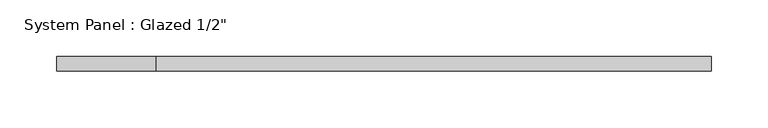
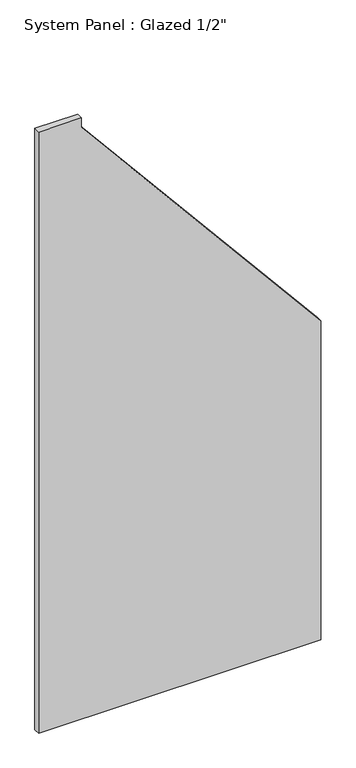
"""IFC4 building model written with IfcOpenShell, lengths in millimetres: plate geometry."""

import ifcopenshell
import ifcopenshell.guid

model = None  # the IFC model being written
_history = None  # IfcOwnerHistory: only IFC2X3 demands one
_inside = {}  # id of a spatial element -> (the spatial element, [elements in it])
_under = {}  # id of a project, library or spatial element -> (it, [spatial elements below it])
_declared = {}  # id of a project -> (the project, [libraries it declares])
_typed = {}  # id of a type object -> (the type object, [elements of that type])
_made_of = {}  # id of a material, layer set ... -> (it, [elements and type objects made of it])


def new_model(schema):
    """Start an empty IFC model of exactly this schema.

    Asked for "IFC4X3", IfcOpenShell would pick the latest addendum, in which some entities
    have other attributes; the version numbers below select the first issue.
    IFC2X3 requires an IfcOwnerHistory on every rooted entity: one is made here for all.
    """
    global model, _history
    if schema == "IFC4X3":
        model = ifcopenshell.file(schema_version=(4, 3, 0, 0))
    else:
        model = ifcopenshell.file(schema=schema)
    _inside.clear()
    _under.clear()
    _declared.clear()
    _typed.clear()
    _made_of.clear()
    _history = None
    if model.schema == "IFC2X3":
        org = make("IfcOrganization", Name="unknown")
        user = make(
            "IfcPersonAndOrganization",
            ThePerson=make("IfcPerson", FamilyName="unknown"),
            TheOrganization=org,
        )
        app = make(
            "IfcApplication",
            ApplicationDeveloper=org,
            Version="unknown",
            ApplicationFullName="unknown",
            ApplicationIdentifier="unknown",
        )
        _history = make(
            "IfcOwnerHistory",
            OwningUser=user,
            OwningApplication=app,
            ChangeAction="ADDED",
            CreationDate=0,
        )
    return model


def make(cls, **values):
    """One entity of the class cls with the attributes given. An attribute that is None is left unset."""
    return model.create_entity(
        cls, **{name: value for name, value in values.items() if value is not None}
    )


def rooted(cls, **values):
    """An entity with a GlobalId (a new one), such as an element, a storey or a relation."""
    return make(cls, GlobalId=ifcopenshell.guid.new(), OwnerHistory=_history, **values)


def si_unit(unit_type, name, prefix=None):
    """IfcSIUnit, for example si_unit("LENGTHUNIT", "METRE", prefix="MILLI")."""
    return make("IfcSIUnit", UnitType=unit_type, Prefix=prefix, Name=name)


def assignment(units):
    """IfcUnitAssignment: the units of a project."""
    return None if units is None else make("IfcUnitAssignment", Units=units)


def point(xyz):
    """IfcCartesianPoint."""
    return None if xyz is None else make("IfcCartesianPoint", Coordinates=xyz)


def direction(xyz):
    """IfcDirection."""
    return None if xyz is None else make("IfcDirection", DirectionRatios=xyz)


def frame(location, z_axis=None, x_axis=None):
    """IfcAxis2Placement3D, a coordinate frame: its origin and axes. An axis left out is left unset."""
    return make(
        "IfcAxis2Placement3D",
        Location=point(location),
        Axis=direction(z_axis),
        RefDirection=direction(x_axis),
    )


def origin():
    """The frame at (0, 0, 0) with its axes left unset."""
    return frame((0.0, 0.0, 0.0))


def place(relative_to, where):
    """IfcLocalPlacement: puts the frame where relative to a parent placement (None: the world)."""
    return make(
        "IfcLocalPlacement", PlacementRelTo=relative_to, RelativePlacement=where
    )


def context(
    kind, dimensions, precision=None, world=None, true_north=None, identifier=None
):
    """IfcGeometricRepresentationContext, for example the 3D "Model" context."""
    return make(
        "IfcGeometricRepresentationContext",
        ContextIdentifier=identifier,
        ContextType=kind,
        CoordinateSpaceDimension=dimensions,
        Precision=precision,
        WorldCoordinateSystem=world,
        TrueNorth=true_north,
    )


def project(units=None, contexts=None):
    """IfcProject with its units and contexts."""
    return rooted(
        "IfcProject",
        Name="project",
        RepresentationContexts=contexts,
        UnitsInContext=assignment(units),
    )


def spatial(cls, under=None, at=None, **own):
    """A site, building, storey or space (cls), placed at a placement, below another one or the project."""
    s = rooted(cls, ObjectPlacement=at, **own)
    if under is not None:
        _under.setdefault(under.id(), (under, []))[1].append(s)
    return s


def polyline(points):
    """IfcPolyline through the points."""
    return make("IfcPolyline", Points=[point(p) for p in points])


def outline(outer, holes=None, kind="AREA"):
    """IfcArbitraryClosedProfileDef: a profile drawn as a closed curve; with holes, ...WithVoids."""
    if holes is None:
        return make("IfcArbitraryClosedProfileDef", ProfileType=kind, OuterCurve=outer)
    return make(
        "IfcArbitraryProfileDefWithVoids",
        ProfileType=kind,
        OuterCurve=outer,
        InnerCurves=holes,
    )


def extrude(swept, where, along, depth):
    """IfcExtrudedAreaSolid: the profile swept, set in the frame where, extruded along a direction by depth."""
    return make(
        "IfcExtrudedAreaSolid",
        SweptArea=swept,
        Position=where,
        ExtrudedDirection=direction(along),
        Depth=depth,
    )


def shape(context_of_items, identifier, shape_type, items):
    """IfcShapeRepresentation: the items that make up one representation, for example the "Body"."""
    return make(
        "IfcShapeRepresentation",
        ContextOfItems=context_of_items,
        RepresentationIdentifier=identifier,
        RepresentationType=shape_type,
        Items=items,
    )


def source(mapping_origin, context_of_items, identifier, shape_type, items):
    """IfcRepresentationMap: a shape defined once, which mapped items show again and again."""
    return make(
        "IfcRepresentationMap",
        MappingOrigin=mapping_origin,
        MappedRepresentation=shape(context_of_items, identifier, shape_type, items),
    )


def transform(
    local_origin,
    x_axis=None,
    y_axis=None,
    z_axis=None,
    scale=None,
    scale2=None,
    scale3=None,
    uniform=True,
):
    """IfcCartesianTransformationOperator3D, or its non-uniform kind. x_axis, y_axis, z_axis: its Axis1, 2, 3."""
    if uniform:
        return make(
            "IfcCartesianTransformationOperator3D",
            Axis1=direction(x_axis),
            Axis2=direction(y_axis),
            LocalOrigin=point(local_origin),
            Scale=scale,
            Axis3=direction(z_axis),
        )
    return make(
        "IfcCartesianTransformationOperator3DnonUniform",
        Axis1=direction(x_axis),
        Axis2=direction(y_axis),
        LocalOrigin=point(local_origin),
        Scale=scale,
        Axis3=direction(z_axis),
        Scale2=scale2,
        Scale3=scale3,
    )


def mapped(mapping_source, mapping_target):
    """IfcMappedItem: shows the shape of a source again, moved by a transform."""
    return make(
        "IfcMappedItem", MappingSource=mapping_source, MappingTarget=mapping_target
    )


def made_of(thing, what):
    """Note that an element or type object is made of a material, layer set ...; save() writes the relation."""
    if what is not None:
        _made_of.setdefault(what.id(), (what, []))[1].append(thing)
    return thing


def element(
    cls,
    number,
    at=None,
    inside=None,
    cuts=None,
    type_object=None,
    material=None,
    context=None,
    identifier="Body",
    shape_type=None,
    held_by="IfcProductDefinitionShape",
    body=None,
    shapes=None,
    **own,
):
    """One element of the class cls, such as IfcWall. Its Tag is "e" and its number.

    at: its placement. inside: the storey or other place that contains it. cuts: it is an
    opening in that element (IfcRelVoidsElement). A single representation is given by context,
    identifier, shape_type and body (its items); several are given by shapes. held_by: the class
    of the entity that holds the representations. save() writes the other relations.
    """
    e = rooted(cls, Tag="e%d" % number, ObjectPlacement=at, **own)
    if body is not None:
        shapes = [shape(context, identifier, shape_type, body)]
    if shapes is not None:
        e.Representation = make(held_by, Representations=shapes)
    if inside is not None:
        _inside.setdefault(inside.id(), (inside, []))[1].append(e)
    if cuts is not None:
        rooted(
            "IfcRelVoidsElement", RelatingBuildingElement=cuts, RelatedOpeningElement=e
        )
    if type_object is not None:
        _typed.setdefault(type_object.id(), (type_object, []))[1].append(e)
    return made_of(e, material)


def aggregate(whole, parts):
    """IfcRelAggregates: a whole, such as a stair, and the parts it consists of."""
    return rooted("IfcRelAggregates", RelatingObject=whole, RelatedObjects=parts)


def save(model, path):
    """Write the relations noted so far, then the file.

    IfcRelAggregates (storeys below a building ...), IfcRelContainedInSpatialStructure (elements
    in a storey), IfcRelDefinesByType, IfcRelAssociatesMaterial and IfcRelDeclares: one each for
    every whole, place, type object, material and project.
    """
    for whole, parts in _under.values():
        aggregate(whole, parts)
    for where, things in _inside.values():
        rooted(
            "IfcRelContainedInSpatialStructure",
            RelatedElements=things,
            RelatingStructure=where,
        )
    for kind, things in _typed.values():
        rooted("IfcRelDefinesByType", RelatedObjects=things, RelatingType=kind)
    for what, things in _made_of.values():
        rooted("IfcRelAssociatesMaterial", RelatedObjects=things, RelatingMaterial=what)
    for by, libraries in _declared.values():
        rooted("IfcRelDeclares", RelatingContext=by, RelatedDefinitions=libraries)
    model.write(path)


def plate_e1734bb9(model_context):
    return source(origin(), model_context, "Body", "SweptSolid", [
        extrude(outline(polyline([(0.0, -288.1456866), (0.0, 288.1456866), (687.9263336, 288.1456866), (1275.9903707, -201.1531685), (1296.5067848, -201.1531685), (1296.5067848, -288.1456866), (0.0, -288.1456866)])), frame((0.0, -6.35, 0.0), z_axis=(0.0, 1.0, 0.0), x_axis=(0.0, 0.0, 1.0)), (0.0, 0.0, 1.0), 12.7),
    ])


if __name__ == "__main__":
    model = new_model("IFC4")
    model_context = context("Model", 3, world=origin())
    ifc_project = project(units=[si_unit("LENGTHUNIT", "METRE", prefix="MILLI")], contexts=[model_context])
    site = spatial("IfcSite", under=ifc_project)
    building = spatial("IfcBuilding", under=site)
    placement = place(None, origin())
    plate_shape = plate_e1734bb9(model_context)
    element("IfcPlate", 1, ObjectType="System Panel : Glazed 1/2\"", at=placement, inside=building, context=model_context, shape_type="MappedRepresentation", body=[
        mapped(plate_shape, transform((0.0, 0.0, 0.0), x_axis=(1.0, 0.0, 0.0), y_axis=(0.0, 1.0, 0.0), z_axis=(0.0, 0.0, 1.0))),
    ])
    save(model, "model.ifc")
